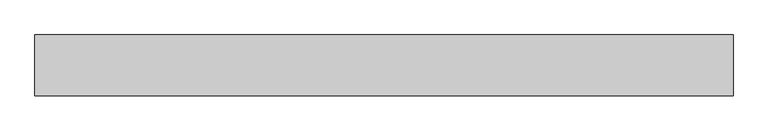
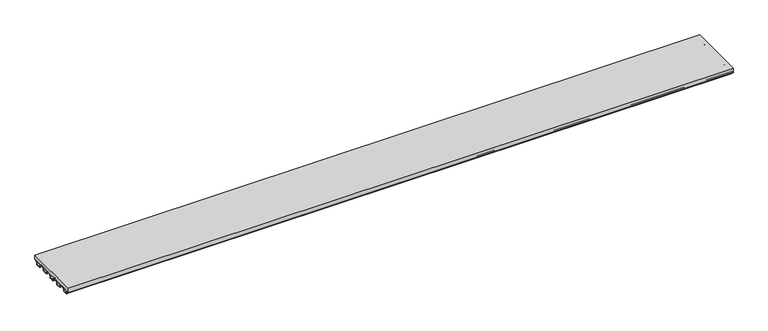
"""IFC4 building model written with IfcOpenShell, lengths in millimetres: beam geometry."""

from ifc_helpers import new_model, si_unit, point, frame, frame_2d, origin, place, context, project, spatial, polyline, circle_curve, trimmed, segment, composite_curve, outline, extrude, source, transform, mapped, element, save


def beam_d2d437f6(model_context):
    return source(origin(), model_context, "Body", "SweptSolid", [
        extrude(outline(composite_curve([segment(polyline([(476.9807158, -80.0), (505.2806078, -80.0), (505.2806078, -81.0), (476.9807158, -81.0)]), True, "CONTINUOUS"), segment(trimmed(circle_curve(frame_2d((476.9807158, -84.25)), 3.25), [point((476.9807158, -81.0))], [point((474.5801876, -82.0591179))], True, "CARTESIAN"), True, "CONTINUOUS"), segment(polyline([(474.5801876, -82.0591179), (449.3024362, -109.7557046)]), True, "CONTINUOUS"), segment(trimmed(circle_curve(frame_2d((451.7029644, -111.9465867)), 3.25), [point((449.3024362, -109.7557046))], [point((448.465288, -111.6638296))], True, "CARTESIAN"), True, "CONTINUOUS"), segment(polyline([(448.465288, -111.6638296), (446.2820044, -136.6632603)]), True, "CONTINUOUS"), segment(trimmed(circle_curve(frame_2d((441.5500158, -136.25)), 4.75), [point((446.2820044, -136.6632603))], [point((441.5500158, -141.0))], False, "CARTESIAN"), True, "CONTINUOUS"), segment(polyline([(441.5500158, -141.0), (414.0081698, -141.0), (404.2159077, -135.1246428), (394.4236457, -141.0), (366.8817996, -141.0)]), True, "CONTINUOUS"), segment(trimmed(circle_curve(frame_2d((366.8817996, -136.25)), 4.75), [point((366.8817996, -141.0))], [point((362.1498111, -136.6632603))], False, "CARTESIAN"), True, "CONTINUOUS"), segment(polyline([(362.1498111, -136.6632603), (359.9665274, -111.6638296)]), True, "CONTINUOUS"), segment(trimmed(circle_curve(frame_2d((356.7288511, -111.9465867)), 3.25), [point((359.9665274, -111.6638296))], [point((359.1293793, -109.7557046))], True, "CARTESIAN"), True, "CONTINUOUS"), segment(polyline([(359.1293793, -109.7557046), (333.8516278, -82.0591179)]), True, "CONTINUOUS"), segment(trimmed(circle_curve(frame_2d((331.4510996, -84.25)), 3.25), [point((333.8516278, -82.0591179))], [point((331.4510996, -81.0))], True, "CARTESIAN"), True, "CONTINUOUS"), segment(polyline([(331.4510996, -81.0), (274.872762, -81.0)]), True, "CONTINUOUS"), segment(trimmed(circle_curve(frame_2d((274.872762, -84.25)), 3.25), [point((274.872762, -81.0))], [point((272.4722338, -82.0591179))], True, "CARTESIAN"), True, "CONTINUOUS"), segment(polyline([(272.4722338, -82.0591179), (247.1944823, -109.7557046)]), True, "CONTINUOUS"), segment(trimmed(circle_curve(frame_2d((249.5950105, -111.9465867)), 3.25), [point((247.1944823, -109.7557046))], [point((246.3573341, -111.6638296))], True, "CARTESIAN"), True, "CONTINUOUS"), segment(polyline([(246.3573341, -111.6638296), (244.1740505, -136.6632603)]), True, "CONTINUOUS"), segment(trimmed(circle_curve(frame_2d((239.442062, -136.25)), 4.75), [point((244.1740505, -136.6632603))], [point((239.442062, -141.0))], False, "CARTESIAN"), True, "CONTINUOUS"), segment(polyline([(239.442062, -141.0), (211.9002159, -141.0), (202.1079539, -135.1246428), (192.3156918, -141.0), (164.7738458, -141.0)]), True, "CONTINUOUS"), segment(trimmed(circle_curve(frame_2d((164.7738458, -136.25)), 4.75), [point((164.7738458, -141.0))], [point((160.0418572, -136.6632603))], False, "CARTESIAN"), True, "CONTINUOUS"), segment(polyline([(160.0418572, -136.6632603), (157.8585736, -111.6638296)]), True, "CONTINUOUS"), segment(trimmed(circle_curve(frame_2d((154.6208972, -111.9465867)), 3.25), [point((157.8585736, -111.6638296))], [point((157.0214254, -109.7557046))], True, "CARTESIAN"), True, "CONTINUOUS"), segment(polyline([(157.0214254, -109.7557046), (131.743674, -82.0591179)]), True, "CONTINUOUS"), segment(trimmed(circle_curve(frame_2d((129.3431458, -84.25)), 3.25), [point((131.743674, -82.0591179))], [point((129.3431458, -81.0))], True, "CARTESIAN"), True, "CONTINUOUS"), segment(polyline([(129.3431458, -81.0), (72.7648081, -81.0)]), True, "CONTINUOUS"), segment(trimmed(circle_curve(frame_2d((72.7648081, -84.25)), 3.25), [point((72.7648081, -81.0))], [point((70.3642799, -82.0591179))], True, "CARTESIAN"), True, "CONTINUOUS"), segment(polyline([(70.3642799, -82.0591179), (45.0865285, -109.7557046)]), True, "CONTINUOUS"), segment(trimmed(circle_curve(frame_2d((47.4870567, -111.9465867)), 3.25), [point((45.0865285, -109.7557046))], [point((44.2493803, -111.6638296))], True, "CARTESIAN"), True, "CONTINUOUS"), segment(polyline([(44.2493803, -111.6638296), (42.0660967, -136.6632603)]), True, "CONTINUOUS"), segment(trimmed(circle_curve(frame_2d((37.3341081, -136.25)), 4.75), [point((42.0660967, -136.6632603))], [point((37.3341081, -141.0))], False, "CARTESIAN"), True, "CONTINUOUS"), segment(polyline([(37.3341081, -141.0), (9.792262, -141.0), (0.0, -135.1246428), (-9.792262, -141.0), (-37.3341081, -141.0)]), True, "CONTINUOUS"), segment(trimmed(circle_curve(frame_2d((-37.3341081, -136.25)), 4.75), [point((-37.3341081, -141.0))], [point((-42.0660967, -136.6632603))], False, "CARTESIAN"), True, "CONTINUOUS"), segment(polyline([(-42.0660967, -136.6632603), (-44.2493803, -111.6638296)]), True, "CONTINUOUS"), segment(trimmed(circle_curve(frame_2d((-47.4870567, -111.9465867)), 3.25), [point((-44.2493803, -111.6638296))], [point((-45.0865285, -109.7557046))], True, "CARTESIAN"), True, "CONTINUOUS"), segment(polyline([(-45.0865285, -109.7557046), (-70.3642799, -82.0591179)]), True, "CONTINUOUS"), segment(trimmed(circle_curve(frame_2d((-72.7648081, -84.25)), 3.25), [point((-70.3642799, -82.0591179))], [point((-72.7648081, -81.0))], True, "CARTESIAN"), True, "CONTINUOUS"), segment(polyline([(-72.7648081, -81.0), (-129.3431458, -81.0)]), True, "CONTINUOUS"), segment(trimmed(circle_curve(frame_2d((-129.3431458, -84.25)), 3.25), [point((-129.3431458, -81.0))], [point((-131.743674, -82.0591179))], True, "CARTESIAN"), True, "CONTINUOUS"), segment(polyline([(-131.743674, -82.0591179), (-157.0214254, -109.7557046)]), True, "CONTINUOUS"), segment(trimmed(circle_curve(frame_2d((-154.6208972, -111.9465867)), 3.25), [point((-157.0214254, -109.7557046))], [point((-157.8585736, -111.6638296))], True, "CARTESIAN"), True, "CONTINUOUS"), segment(polyline([(-157.8585736, -111.6638296), (-160.0418572, -136.6632603)]), True, "CONTINUOUS"), segment(trimmed(circle_curve(frame_2d((-164.7738458, -136.25)), 4.75), [point((-160.0418572, -136.6632603))], [point((-164.7738458, -141.0))], False, "CARTESIAN"), True, "CONTINUOUS"), segment(polyline([(-164.7738458, -141.0), (-192.3156918, -141.0), (-202.1079539, -135.1246428), (-211.9002159, -141.0), (-239.442062, -141.0)]), True, "CONTINUOUS"), segment(trimmed(circle_curve(frame_2d((-239.442062, -136.25)), 4.75), [point((-239.442062, -141.0))], [point((-244.1740505, -136.6632603))], False, "CARTESIAN"), True, "CONTINUOUS"), segment(polyline([(-244.1740505, -136.6632603), (-246.3573341, -111.6638296)]), True, "CONTINUOUS"), segment(trimmed(circle_curve(frame_2d((-249.5950105, -111.9465867)), 3.25), [point((-246.3573341, -111.6638296))], [point((-247.1944823, -109.7557046))], True, "CARTESIAN"), True, "CONTINUOUS"), segment(polyline([(-247.1944823, -109.7557046), (-272.4722338, -82.0591179)]), True, "CONTINUOUS"), segment(trimmed(circle_curve(frame_2d((-274.872762, -84.25)), 3.25), [point((-272.4722338, -82.0591179))], [point((-274.872762, -81.0))], True, "CARTESIAN"), True, "CONTINUOUS"), segment(polyline([(-274.872762, -81.0), (-331.4510996, -81.0)]), True, "CONTINUOUS"), segment(trimmed(circle_curve(frame_2d((-331.4510996, -84.25)), 3.25), [point((-331.4510996, -81.0))], [point((-333.8516278, -82.0591179))], True, "CARTESIAN"), True, "CONTINUOUS"), segment(polyline([(-333.8516278, -82.0591179), (-359.1293793, -109.7557046)]), True, "CONTINUOUS"), segment(trimmed(circle_curve(frame_2d((-356.7288511, -111.9465867)), 3.25), [point((-359.1293793, -109.7557046))], [point((-359.9665274, -111.6638296))], True, "CARTESIAN"), True, "CONTINUOUS"), segment(polyline([(-359.9665274, -111.6638296), (-362.1498111, -136.6632603)]), True, "CONTINUOUS"), segment(trimmed(circle_curve(frame_2d((-366.8817996, -136.25)), 4.75), [point((-362.1498111, -136.6632603))], [point((-366.8817996, -141.0))], False, "CARTESIAN"), True, "CONTINUOUS"), segment(polyline([(-366.8817996, -141.0), (-394.4236457, -141.0), (-404.2159077, -135.1246428), (-414.0081698, -141.0), (-441.5500158, -141.0)]), True, "CONTINUOUS"), segment(trimmed(circle_curve(frame_2d((-441.5500158, -136.25)), 4.75), [point((-441.5500158, -141.0))], [point((-446.2820044, -136.6632603))], False, "CARTESIAN"), True, "CONTINUOUS"), segment(polyline([(-446.2820044, -136.6632603), (-448.465288, -111.6638296)]), True, "CONTINUOUS"), segment(trimmed(circle_curve(frame_2d((-451.7029644, -111.9465867)), 3.25), [point((-448.465288, -111.6638296))], [point((-449.3024362, -109.7557046))], True, "CARTESIAN"), True, "CONTINUOUS"), segment(polyline([(-449.3024362, -109.7557046), (-474.5801876, -82.0591179)]), True, "CONTINUOUS"), segment(trimmed(circle_curve(frame_2d((-476.9807158, -84.25)), 3.25), [point((-474.5801876, -82.0591179))], [point((-476.9807158, -81.0))], True, "CARTESIAN"), True, "CONTINUOUS"), segment(polyline([(-476.9807158, -81.0), (-505.2698847, -81.0), (-505.2698847, -80.0), (-476.9807158, -80.0)]), True, "CONTINUOUS"), segment(trimmed(circle_curve(frame_2d((-476.9807158, -84.0)), 4.0), [point((-476.9807158, -80.0))], [point((-474.0262196, -81.3035297))], False, "CARTESIAN"), True, "CONTINUOUS"), segment(polyline([(-474.0262196, -81.3035297), (-465.1041443, -91.079361), (-458.4742547, -93.1516939), (-457.0147335, -99.9428498), (-448.7484681, -109.0001164)]), True, "CONTINUOUS"), segment(trimmed(circle_curve(frame_2d((-451.7029644, -111.6965867)), 4.0), [point((-448.7484681, -109.0001164))], [point((-447.7181319, -111.348578))], False, "CARTESIAN"), True, "CONTINUOUS"), segment(polyline([(-447.7181319, -111.348578), (-447.0725342, -118.7409187), (-443.0637927, -124.4136598), (-446.0285081, -130.6954161), (-445.5348483, -136.3480087)]), True, "CONTINUOUS"), segment(trimmed(circle_curve(frame_2d((-441.5500158, -136.0)), 4.0), [point((-445.5348483, -136.3480087))], [point((-441.5500158, -140.0))], True, "CARTESIAN"), True, "CONTINUOUS"), segment(polyline([(-441.5500158, -140.0), (-414.2159077, -140.0), (-404.2159077, -134.0), (-394.2159077, -140.0), (-366.8817996, -140.0)]), True, "CONTINUOUS"), segment(trimmed(circle_curve(frame_2d((-366.8817996, -136.0)), 4.0), [point((-366.8817996, -140.0))], [point((-362.8969672, -136.3480087))], True, "CARTESIAN"), True, "CONTINUOUS"), segment(polyline([(-362.8969672, -136.3480087), (-362.4033074, -130.6954161), (-365.3680228, -124.4136598), (-361.3592813, -118.7409187), (-360.7136835, -111.348578)]), True, "CONTINUOUS"), segment(trimmed(circle_curve(frame_2d((-356.7288511, -111.6965867)), 4.0), [point((-360.7136835, -111.348578))], [point((-359.6833473, -109.0001164))], False, "CARTESIAN"), True, "CONTINUOUS"), segment(polyline([(-359.6833473, -109.0001164), (-351.417082, -99.9428498), (-349.9575608, -93.1516939), (-343.3276712, -91.079361), (-334.4055959, -81.3035297)]), True, "CONTINUOUS"), segment(trimmed(circle_curve(frame_2d((-331.4510996, -84.0)), 4.0), [point((-334.4055959, -81.3035297))], [point((-331.4510996, -80.0))], False, "CARTESIAN"), True, "CONTINUOUS"), segment(polyline([(-331.4510996, -80.0), (-274.872762, -80.0)]), True, "CONTINUOUS"), segment(trimmed(circle_curve(frame_2d((-274.872762, -84.0)), 4.0), [point((-274.872762, -80.0))], [point((-271.9182657, -81.3035297))], False, "CARTESIAN"), True, "CONTINUOUS"), segment(polyline([(-271.9182657, -81.3035297), (-262.9961904, -91.079361), (-256.3663008, -93.1516939), (-254.9067796, -99.9428498), (-246.6405143, -109.0001164)]), True, "CONTINUOUS"), segment(trimmed(circle_curve(frame_2d((-249.5950105, -111.6965867)), 4.0), [point((-246.6405143, -109.0001164))], [point((-245.6101781, -111.348578))], False, "CARTESIAN"), True, "CONTINUOUS"), segment(polyline([(-245.6101781, -111.348578), (-244.9645803, -118.7409187), (-240.9558388, -124.4136598), (-243.9205542, -130.6954161), (-243.4268944, -136.3480087)]), True, "CONTINUOUS"), segment(trimmed(circle_curve(frame_2d((-239.442062, -136.0)), 4.0), [point((-243.4268944, -136.3480087))], [point((-239.442062, -140.0))], True, "CARTESIAN"), True, "CONTINUOUS"), segment(polyline([(-239.442062, -140.0), (-212.1079539, -140.0), (-202.1079539, -134.0), (-192.1079539, -140.0), (-164.7738458, -140.0)]), True, "CONTINUOUS"), segment(trimmed(circle_curve(frame_2d((-164.7738458, -136.0)), 4.0), [point((-164.7738458, -140.0))], [point((-160.7890133, -136.3480087))], True, "CARTESIAN"), True, "CONTINUOUS"), segment(polyline([(-160.7890133, -136.3480087), (-160.2953535, -130.6954161), (-163.2600689, -124.4136598), (-159.2513274, -118.7409187), (-158.6057297, -111.348578)]), True, "CONTINUOUS"), segment(trimmed(circle_curve(frame_2d((-154.6208972, -111.6965867)), 4.0), [point((-158.6057297, -111.348578))], [point((-157.5753935, -109.0001164))], False, "CARTESIAN"), True, "CONTINUOUS"), segment(polyline([(-157.5753935, -109.0001164), (-149.3091281, -99.9428498), (-147.8496069, -93.1516939), (-141.2197173, -91.079361), (-132.297642, -81.3035297)]), True, "CONTINUOUS"), segment(trimmed(circle_curve(frame_2d((-129.3431458, -84.0)), 4.0), [point((-132.297642, -81.3035297))], [point((-129.3431458, -80.0))], False, "CARTESIAN"), True, "CONTINUOUS"), segment(polyline([(-129.3431458, -80.0), (-72.7648081, -80.0)]), True, "CONTINUOUS"), segment(trimmed(circle_curve(frame_2d((-72.7648081, -84.0)), 4.0), [point((-72.7648081, -80.0))], [point((-69.8103119, -81.3035297))], False, "CARTESIAN"), True, "CONTINUOUS"), segment(polyline([(-69.8103119, -81.3035297), (-60.8882365, -91.079361), (-54.2583469, -93.1516939), (-52.7988258, -99.9428498), (-44.5325604, -109.0001164)]), True, "CONTINUOUS"), segment(trimmed(circle_curve(frame_2d((-47.4870567, -111.6965867)), 4.0), [point((-44.5325604, -109.0001164))], [point((-43.5022242, -111.348578))], False, "CARTESIAN"), True, "CONTINUOUS"), segment(polyline([(-43.5022242, -111.348578), (-42.8566264, -118.7409187), (-38.847885, -124.4136598), (-41.8126003, -130.6954161), (-41.3189406, -136.3480087)]), True, "CONTINUOUS"), segment(trimmed(circle_curve(frame_2d((-37.3341081, -136.0)), 4.0), [point((-41.3189406, -136.3480087))], [point((-37.3341081, -140.0))], True, "CARTESIAN"), True, "CONTINUOUS"), segment(polyline([(-37.3341081, -140.0), (-10.0, -140.0), (0.0, -134.0), (10.0, -140.0), (37.3341081, -140.0)]), True, "CONTINUOUS"), segment(trimmed(circle_curve(frame_2d((37.3341081, -136.0)), 4.0), [point((37.3341081, -140.0))], [point((41.3189406, -136.3480087))], True, "CARTESIAN"), True, "CONTINUOUS"), segment(polyline([(41.3189406, -136.3480087), (41.8126003, -130.6954161), (38.847885, -124.4136598), (42.8566264, -118.7409187), (43.5022242, -111.348578)]), True, "CONTINUOUS"), segment(trimmed(circle_curve(frame_2d((47.4870567, -111.6965867)), 4.0), [point((43.5022242, -111.348578))], [point((44.5325604, -109.0001164))], False, "CARTESIAN"), True, "CONTINUOUS"), segment(polyline([(44.5325604, -109.0001164), (52.7988258, -99.9428498), (54.2583469, -93.1516939), (60.8882365, -91.079361), (69.8103119, -81.3035297)]), True, "CONTINUOUS"), segment(trimmed(circle_curve(frame_2d((72.7648081, -84.0)), 4.0), [point((69.8103119, -81.3035297))], [point((72.7648081, -80.0))], False, "CARTESIAN"), True, "CONTINUOUS"), segment(polyline([(72.7648081, -80.0), (129.3431458, -80.0)]), True, "CONTINUOUS"), segment(trimmed(circle_curve(frame_2d((129.3431458, -84.0)), 4.0), [point((129.3431458, -80.0))], [point((132.297642, -81.3035297))], False, "CARTESIAN"), True, "CONTINUOUS"), segment(polyline([(132.297642, -81.3035297), (141.2197173, -91.079361), (147.8496069, -93.1516939), (149.3091281, -99.9428498), (158.4879539, -110.0), (159.2513274, -118.7409187), (163.2600689, -124.4136598), (160.2953535, -130.6954161), (160.7890133, -136.3480087)]), True, "CONTINUOUS"), segment(trimmed(circle_curve(frame_2d((164.7738458, -136.0)), 4.0), [point((160.7890133, -136.3480087))], [point((164.7738458, -140.0))], True, "CARTESIAN"), True, "CONTINUOUS"), segment(polyline([(164.7738458, -140.0), (192.1079539, -140.0), (202.1079539, -134.0), (212.1079539, -140.0), (239.442062, -140.0)]), True, "CONTINUOUS"), segment(trimmed(circle_curve(frame_2d((239.442062, -136.0)), 4.0), [point((239.442062, -140.0))], [point((243.4268944, -136.3480087))], True, "CARTESIAN"), True, "CONTINUOUS"), segment(polyline([(243.4268944, -136.3480087), (243.9205542, -130.6954161), (240.9558388, -124.4136598), (244.9645803, -118.7409187), (245.6101781, -111.348578)]), True, "CONTINUOUS"), segment(trimmed(circle_curve(frame_2d((249.5950105, -111.6965867)), 4.0), [point((245.6101781, -111.348578))], [point((246.6405143, -109.0001164))], False, "CARTESIAN"), True, "CONTINUOUS"), segment(polyline([(246.6405143, -109.0001164), (254.9067796, -99.9428498), (256.3663008, -93.1516939), (262.9961904, -91.079361), (271.9182657, -81.3035297)]), True, "CONTINUOUS"), segment(trimmed(circle_curve(frame_2d((274.872762, -84.0)), 4.0), [point((271.9182657, -81.3035297))], [point((274.872762, -80.0))], False, "CARTESIAN"), True, "CONTINUOUS"), segment(polyline([(274.872762, -80.0), (331.4510996, -80.0)]), True, "CONTINUOUS"), segment(trimmed(circle_curve(frame_2d((331.4510996, -84.0)), 4.0), [point((331.4510996, -80.0))], [point((334.4055959, -81.3035297))], False, "CARTESIAN"), True, "CONTINUOUS"), segment(polyline([(334.4055959, -81.3035297), (343.3276712, -91.079361), (349.9575608, -93.1516939), (351.417082, -99.9428498), (359.6833473, -109.0001164)]), True, "CONTINUOUS"), segment(trimmed(circle_curve(frame_2d((356.7288511, -111.6965867)), 4.0), [point((359.6833473, -109.0001164))], [point((360.7136835, -111.348578))], False, "CARTESIAN"), True, "CONTINUOUS"), segment(polyline([(360.7136835, -111.348578), (361.3592813, -118.7409187), (365.3680228, -124.4136598), (362.4033074, -130.6954161), (362.8969672, -136.3480087)]), True, "CONTINUOUS"), segment(trimmed(circle_curve(frame_2d((366.8817996, -136.0)), 4.0), [point((362.8969672, -136.3480087))], [point((366.8817996, -140.0))], True, "CARTESIAN"), True, "CONTINUOUS"), segment(polyline([(366.8817996, -140.0), (394.2159077, -140.0), (404.2159077, -134.0), (414.2159077, -140.0), (441.5500158, -140.0)]), True, "CONTINUOUS"), segment(trimmed(circle_curve(frame_2d((441.5500158, -136.0)), 4.0), [point((441.5500158, -140.0))], [point((445.5348483, -136.3480087))], True, "CARTESIAN"), True, "CONTINUOUS"), segment(polyline([(445.5348483, -136.3480087), (446.0285081, -130.6954161), (443.0637927, -124.4136598), (447.0725342, -118.7409187), (447.7181319, -111.348578)]), True, "CONTINUOUS"), segment(trimmed(circle_curve(frame_2d((451.7029644, -111.6965867)), 4.0), [point((447.7181319, -111.348578))], [point((448.7484681, -109.0001164))], False, "CARTESIAN"), True, "CONTINUOUS"), segment(polyline([(448.7484681, -109.0001164), (457.0147335, -99.9428498), (458.4742547, -93.1516939), (465.1041443, -91.079361), (474.0262196, -81.3035297)]), True, "CONTINUOUS"), segment(trimmed(circle_curve(frame_2d((476.9807158, -84.0)), 4.0), [point((474.0262196, -81.3035297))], [point((476.9807158, -80.0))], False, "CARTESIAN"), True, "CONTINUOUS")], self_intersect=False)), frame((-5800.0, 0.0, 0.0), z_axis=(1.0, 0.0, 0.0), x_axis=(0.0, 1.0, 0.0)), (0.0, 0.0, 1.0), 11600.0),
        extrude(outline(composite_curve([segment(polyline([(458.4742547, -93.1516939), (457.0147335, -99.9428498), (448.7484681, -109.0001164)]), True, "CONTINUOUS"), segment(trimmed(circle_curve(frame_2d((451.7029644, -111.6965867)), 4.0), [point((448.7484681, -109.0001164))], [point((447.7181319, -111.348578))], True, "CARTESIAN"), True, "CONTINUOUS"), segment(polyline([(447.7181319, -111.348578), (447.0725342, -118.7409187), (443.0637927, -124.4136598), (446.0285081, -130.6954161), (445.5348483, -136.3480087)]), True, "CONTINUOUS"), segment(trimmed(circle_curve(frame_2d((441.5500158, -136.0)), 4.0), [point((445.5348483, -136.3480087))], [point((441.5500158, -140.0))], False, "CARTESIAN"), True, "CONTINUOUS"), segment(polyline([(441.5500158, -140.0), (414.2159077, -140.0), (404.2159077, -134.0), (394.2159077, -140.0), (366.8817996, -140.0)]), True, "CONTINUOUS"), segment(trimmed(circle_curve(frame_2d((366.8817996, -136.0)), 4.0), [point((366.8817996, -140.0))], [point((362.8969672, -136.3480087))], False, "CARTESIAN"), True, "CONTINUOUS"), segment(polyline([(362.8969672, -136.3480087), (362.4033074, -130.6954161), (365.3680228, -124.4136598), (361.3592813, -118.7409187), (360.7136835, -111.348578)]), True, "CONTINUOUS"), segment(trimmed(circle_curve(frame_2d((356.7288511, -111.6965867)), 4.0), [point((360.7136835, -111.348578))], [point((359.6833473, -109.0001164))], True, "CARTESIAN"), True, "CONTINUOUS"), segment(polyline([(359.6833473, -109.0001164), (351.417082, -99.9428498), (349.9575608, -93.1516939), (343.3276712, -91.079361), (334.4055959, -81.3035297)]), True, "CONTINUOUS"), segment(trimmed(circle_curve(frame_2d((331.4510996, -84.0)), 4.0), [point((334.4055959, -81.3035297))], [point((331.4510996, -80.0))], True, "CARTESIAN"), True, "CONTINUOUS"), segment(polyline([(331.4510996, -80.0), (476.9807158, -80.0)]), True, "CONTINUOUS"), segment(trimmed(circle_curve(frame_2d((476.9807158, -84.0)), 4.0), [point((476.9807158, -80.0))], [point((474.0262196, -81.3035297))], True, "CARTESIAN"), True, "CONTINUOUS"), segment(polyline([(474.0262196, -81.3035297), (465.1041443, -91.079361), (458.4742547, -93.1516939)]), True, "CONTINUOUS")], self_intersect=False)), frame((-5800.0, 0.0, 0.0), z_axis=(1.0, 0.0, 0.0), x_axis=(0.0, 1.0, 0.0)), (0.0, 0.0, 1.0), 11600.0),
        extrude(outline(composite_curve([segment(trimmed(circle_curve(frame_2d((-476.9807158, -84.0)), 4.0), [point((-474.0262196, -81.3035297))], [point((-476.9807158, -80.0))], True, "CARTESIAN"), True, "CONTINUOUS"), segment(polyline([(-476.9807158, -80.0), (-331.4510996, -80.0)]), True, "CONTINUOUS"), segment(trimmed(circle_curve(frame_2d((-331.4510996, -84.0)), 4.0), [point((-331.4510996, -80.0))], [point((-334.4055959, -81.3035297))], True, "CARTESIAN"), True, "CONTINUOUS"), segment(polyline([(-334.4055959, -81.3035297), (-343.3276712, -91.079361), (-349.9575608, -93.1516939), (-351.417082, -99.9428498), (-359.6833473, -109.0001164)]), True, "CONTINUOUS"), segment(trimmed(circle_curve(frame_2d((-356.7288511, -111.6965867)), 4.0), [point((-359.6833473, -109.0001164))], [point((-360.7136835, -111.348578))], True, "CARTESIAN"), True, "CONTINUOUS"), segment(polyline([(-360.7136835, -111.348578), (-361.3592813, -118.7409187), (-365.3680228, -124.4136598), (-362.4033074, -130.6954161), (-362.8969672, -136.3480087)]), True, "CONTINUOUS"), segment(trimmed(circle_curve(frame_2d((-366.8817996, -136.0)), 4.0), [point((-362.8969672, -136.3480087))], [point((-366.8817996, -140.0))], False, "CARTESIAN"), True, "CONTINUOUS"), segment(polyline([(-366.8817996, -140.0), (-394.2159077, -140.0), (-404.2159077, -134.0), (-414.2159077, -140.0), (-441.5500158, -140.0)]), True, "CONTINUOUS"), segment(trimmed(circle_curve(frame_2d((-441.5500158, -136.0)), 4.0), [point((-441.5500158, -140.0))], [point((-445.5348483, -136.3480087))], False, "CARTESIAN"), True, "CONTINUOUS"), segment(polyline([(-445.5348483, -136.3480087), (-446.0285081, -130.6954161), (-443.0637927, -124.4136598), (-447.0725342, -118.7409187), (-447.7181319, -111.348578)]), True, "CONTINUOUS"), segment(trimmed(circle_curve(frame_2d((-451.7029644, -111.6965867)), 4.0), [point((-447.7181319, -111.348578))], [point((-448.7484681, -109.0001164))], True, "CARTESIAN"), True, "CONTINUOUS"), segment(polyline([(-448.7484681, -109.0001164), (-457.0147335, -99.9428498), (-458.4742547, -93.1516939), (-465.1041443, -91.079361), (-474.0262196, -81.3035297)]), True, "CONTINUOUS")], self_intersect=False)), frame((-5800.0, 0.0, 0.0), z_axis=(1.0, 0.0, 0.0), x_axis=(0.0, 1.0, 0.0)), (0.0, 0.0, 1.0), 11600.0),
        extrude(outline(composite_curve([segment(trimmed(circle_curve(frame_2d((-274.872762, -84.0)), 4.0), [point((-271.9182657, -81.3035297))], [point((-274.872762, -80.0))], True, "CARTESIAN"), True, "CONTINUOUS"), segment(polyline([(-274.872762, -80.0), (-129.3431458, -80.0)]), True, "CONTINUOUS"), segment(trimmed(circle_curve(frame_2d((-129.3431458, -84.0)), 4.0), [point((-129.3431458, -80.0))], [point((-132.297642, -81.3035297))], True, "CARTESIAN"), True, "CONTINUOUS"), segment(polyline([(-132.297642, -81.3035297), (-141.2197173, -91.079361), (-147.8496069, -93.1516939), (-149.3091281, -99.9428498), (-157.5753935, -109.0001164)]), True, "CONTINUOUS"), segment(trimmed(circle_curve(frame_2d((-154.6208972, -111.6965867)), 4.0), [point((-157.5753935, -109.0001164))], [point((-158.6057297, -111.348578))], True, "CARTESIAN"), True, "CONTINUOUS"), segment(polyline([(-158.6057297, -111.348578), (-159.2513274, -118.7409187), (-163.2600689, -124.4136598), (-160.2953535, -130.6954161), (-160.7890133, -136.3480087)]), True, "CONTINUOUS"), segment(trimmed(circle_curve(frame_2d((-164.7738458, -136.0)), 4.0), [point((-160.7890133, -136.3480087))], [point((-164.7738458, -140.0))], False, "CARTESIAN"), True, "CONTINUOUS"), segment(polyline([(-164.7738458, -140.0), (-192.1079539, -140.0), (-202.1079539, -134.0), (-212.1079539, -140.0), (-239.442062, -140.0)]), True, "CONTINUOUS"), segment(trimmed(circle_curve(frame_2d((-239.442062, -136.0)), 4.0), [point((-239.442062, -140.0))], [point((-243.4268944, -136.3480087))], False, "CARTESIAN"), True, "CONTINUOUS"), segment(polyline([(-243.4268944, -136.3480087), (-243.9205542, -130.6954161), (-240.9558388, -124.4136598), (-244.9645803, -118.7409187), (-245.6101781, -111.348578)]), True, "CONTINUOUS"), segment(trimmed(circle_curve(frame_2d((-249.5950105, -111.6965867)), 4.0), [point((-245.6101781, -111.348578))], [point((-246.6405143, -109.0001164))], True, "CARTESIAN"), True, "CONTINUOUS"), segment(polyline([(-246.6405143, -109.0001164), (-254.9067796, -99.9428498), (-256.3663008, -93.1516939), (-262.9961904, -91.079361), (-271.9182657, -81.3035297)]), True, "CONTINUOUS")], self_intersect=False)), frame((-5800.0, 0.0, 0.0), z_axis=(1.0, 0.0, 0.0), x_axis=(0.0, 1.0, 0.0)), (0.0, 0.0, 1.0), 11600.0),
        extrude(outline(composite_curve([segment(trimmed(circle_curve(frame_2d((-72.7648081, -84.0)), 4.0), [point((-69.8103119, -81.3035297))], [point((-72.7648081, -80.0))], True, "CARTESIAN"), True, "CONTINUOUS"), segment(polyline([(-72.7648081, -80.0), (72.7648081, -80.0)]), True, "CONTINUOUS"), segment(trimmed(circle_curve(frame_2d((72.7648081, -84.0)), 4.0), [point((72.7648081, -80.0))], [point((69.8103119, -81.3035297))], True, "CARTESIAN"), True, "CONTINUOUS"), segment(polyline([(69.8103119, -81.3035297), (60.8882365, -91.079361), (54.2583469, -93.1516939), (52.7988258, -99.9428498), (44.5325604, -109.0001164)]), True, "CONTINUOUS"), segment(trimmed(circle_curve(frame_2d((47.4870567, -111.6965867)), 4.0), [point((44.5325604, -109.0001164))], [point((43.5022242, -111.348578))], True, "CARTESIAN"), True, "CONTINUOUS"), segment(polyline([(43.5022242, -111.348578), (42.8566264, -118.7409187), (38.847885, -124.4136598), (41.8126003, -130.6954161), (41.3189406, -136.3480087)]), True, "CONTINUOUS"), segment(trimmed(circle_curve(frame_2d((37.3341081, -136.0)), 4.0), [point((41.3189406, -136.3480087))], [point((37.3341081, -140.0))], False, "CARTESIAN"), True, "CONTINUOUS"), segment(polyline([(37.3341081, -140.0), (10.0, -140.0), (0.0, -134.0), (-10.0, -140.0), (-37.3341081, -140.0)]), True, "CONTINUOUS"), segment(trimmed(circle_curve(frame_2d((-37.3341081, -136.0)), 4.0), [point((-37.3341081, -140.0))], [point((-41.3189406, -136.3480087))], False, "CARTESIAN"), True, "CONTINUOUS"), segment(polyline([(-41.3189406, -136.3480087), (-41.8126003, -130.6954161), (-38.847885, -124.4136598), (-42.8566264, -118.7409187), (-43.5022242, -111.348578)]), True, "CONTINUOUS"), segment(trimmed(circle_curve(frame_2d((-47.4870567, -111.6965867)), 4.0), [point((-43.5022242, -111.348578))], [point((-44.5325604, -109.0001164))], True, "CARTESIAN"), True, "CONTINUOUS"), segment(polyline([(-44.5325604, -109.0001164), (-52.7988258, -99.9428498), (-54.2583469, -93.1516939), (-60.8882365, -91.079361), (-69.8103119, -81.3035297)]), True, "CONTINUOUS")], self_intersect=False)), frame((-5800.0, 0.0, 0.0), z_axis=(1.0, 0.0, 0.0), x_axis=(0.0, 1.0, 0.0)), (0.0, 0.0, 1.0), 11600.0),
        extrude(outline(composite_curve([segment(trimmed(circle_curve(frame_2d((129.3431458, -84.0)), 4.0), [point((132.297642, -81.3035297))], [point((129.3431458, -80.0))], True, "CARTESIAN"), True, "CONTINUOUS"), segment(polyline([(129.3431458, -80.0), (274.872762, -80.0)]), True, "CONTINUOUS"), segment(trimmed(circle_curve(frame_2d((274.872762, -84.0)), 4.0), [point((274.872762, -80.0))], [point((271.9182657, -81.3035297))], True, "CARTESIAN"), True, "CONTINUOUS"), segment(polyline([(271.9182657, -81.3035297), (262.9961904, -91.079361), (256.3663008, -93.1516939), (254.9067796, -99.9428498), (246.6405143, -109.0001164)]), True, "CONTINUOUS"), segment(trimmed(circle_curve(frame_2d((249.5950105, -111.6965867)), 4.0), [point((246.6405143, -109.0001164))], [point((245.6101781, -111.348578))], True, "CARTESIAN"), True, "CONTINUOUS"), segment(polyline([(245.6101781, -111.348578), (244.9645803, -118.7409187), (240.9558388, -124.4136598), (243.9205542, -130.6954161), (243.4268944, -136.3480087)]), True, "CONTINUOUS"), segment(trimmed(circle_curve(frame_2d((239.442062, -136.0)), 4.0), [point((243.4268944, -136.3480087))], [point((239.442062, -140.0))], False, "CARTESIAN"), True, "CONTINUOUS"), segment(polyline([(239.442062, -140.0), (212.1079539, -140.0), (202.1079539, -134.0), (192.1079539, -140.0), (164.7738458, -140.0)]), True, "CONTINUOUS"), segment(trimmed(circle_curve(frame_2d((164.7738458, -136.0)), 4.0), [point((164.7738458, -140.0))], [point((160.7890133, -136.3480087))], False, "CARTESIAN"), True, "CONTINUOUS"), segment(polyline([(160.7890133, -136.3480087), (160.2953535, -130.6954161), (163.2600689, -124.4136598), (159.2513274, -118.7409187), (158.4879539, -110.0), (149.3091281, -99.9428498), (147.8496069, -93.1516939), (141.2197173, -91.079361), (132.297642, -81.3035297)]), True, "CONTINUOUS")], self_intersect=False)), frame((-5800.0, 0.0, 0.0), z_axis=(1.0, 0.0, 0.0), x_axis=(0.0, 1.0, 0.0)), (0.0, 0.0, 1.0), 11600.0),
        extrude(outline(polyline([(5800.0, 505.0), (5800.0, -505.0), (-5800.0, -505.0), (-5800.0, 505.0), (5800.0, 505.0)])), frame((0.0, 0.0, -80.0), z_axis=(0.0, 0.0, 1.0), x_axis=(1.0, 0.0, 0.0)), (0.0, 0.0, 1.0), 80.0),
    ])


if __name__ == "__main__":
    model = new_model("IFC4")
    model_context = context("Model", 3, world=origin())
    ifc_project = project(units=[si_unit("LENGTHUNIT", "METRE", prefix="MILLI")], contexts=[model_context])
    site = spatial("IfcSite", under=ifc_project)
    building = spatial("IfcBuilding", under=site)
    placement = place(None, origin())
    beam_shape = beam_d2d437f6(model_context)
    element("IfcBeam", 1, at=placement, inside=building, context=model_context, shape_type="MappedRepresentation", body=[
        mapped(beam_shape, transform((0.0, 0.0, 0.0), x_axis=(1.0, 0.0, 0.0), y_axis=(0.0, 1.0, 0.0), z_axis=(0.0, 0.0, 1.0))),
    ])
    save(model, "model.ifc")
